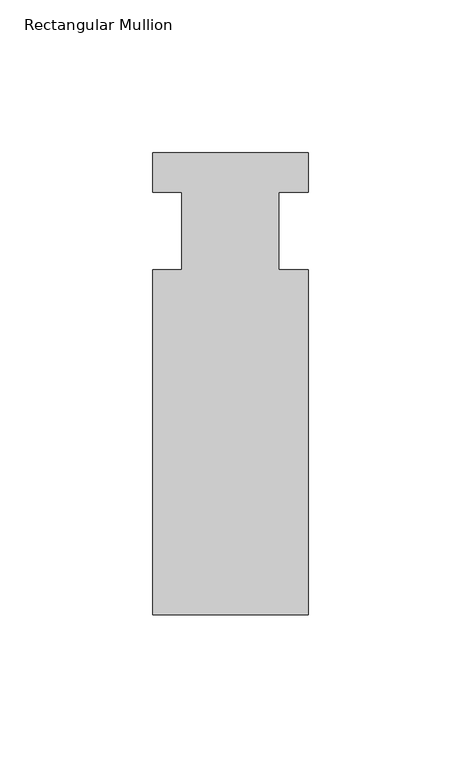
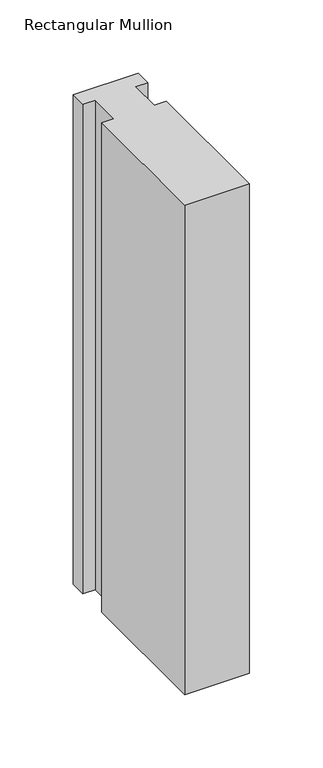
"""IFC4 building model written with IfcOpenShell, lengths in millimetres: member geometry, Rectangular Mullion."""

from ifc_helpers import new_model, si_unit, frame, origin, place, context, project, spatial, polyline, outline, extrude, source, transform, mapped, element, save


def rectangular_mullion_a8b6c63e(model_context):
    return source(origin(), model_context, "Body", "SweptSolid", [
        extrude(outline(polyline([(-25.4, 25.5984375), (25.4, 25.5984375), (25.4, 12.7), (15.875, 12.7), (15.875, -12.7), (25.4, -12.7), (25.4, -125.6109375), (-25.4, -125.6109375), (-25.4, -12.7), (-15.875, -12.7), (-15.875, 12.7), (-25.4, 12.7), (-25.4, 25.5984375)])), frame((0.0, 0.0, -406.4), z_axis=(0.0, 0.0, 1.0), x_axis=(1.0, 0.0, 0.0)), (0.0, 0.0, 1.0), 406.4),
    ])


if __name__ == "__main__":
    model = new_model("IFC4")
    model_context = context("Model", 3, world=origin())
    ifc_project = project(units=[si_unit("LENGTHUNIT", "METRE", prefix="MILLI")], contexts=[model_context])
    site = spatial("IfcSite", under=ifc_project)
    building = spatial("IfcBuilding", under=site)
    placement = place(None, origin())
    rectangular_mullion_shape = rectangular_mullion_a8b6c63e(model_context)
    element("IfcMember", 1, ObjectType="Rectangular Mullion", at=placement, inside=building, context=model_context, shape_type="MappedRepresentation", body=[
        mapped(rectangular_mullion_shape, transform((0.0, 0.0, 0.0), x_axis=(1.0, 0.0, 0.0), y_axis=(0.0, 1.0, 0.0), z_axis=(0.0, 0.0, 1.0))),
    ])
    save(model, "model.ifc")
